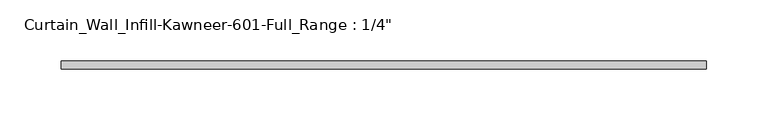
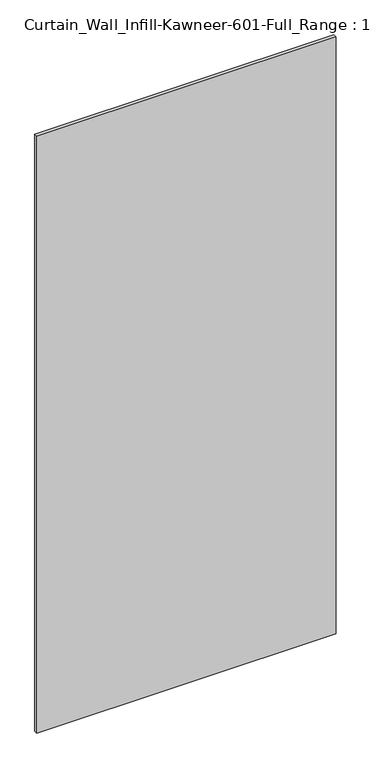
"""IFC4 building model written with IfcOpenShell, lengths in millimetres: plate geometry."""

from ifc_helpers import new_model, si_unit, origin, origin_with_axes, place, context, project, spatial, polyline, outline, extrude, source, transform, mapped, element, save


def plate_cf7ab276(model_context):
    return source(origin(), model_context, "Body", "SweptSolid", [
        extrude(outline(polyline([(-263.525, 12.7), (263.525, 12.7), (263.525, 6.35), (-263.525, 6.35), (-263.525, 12.7)])), origin_with_axes(), (0.0, 0.0, 1.0), 1111.25),
    ])


if __name__ == "__main__":
    model = new_model("IFC4")
    model_context = context("Model", 3, world=origin())
    ifc_project = project(units=[si_unit("LENGTHUNIT", "METRE", prefix="MILLI")], contexts=[model_context])
    site = spatial("IfcSite", under=ifc_project)
    building = spatial("IfcBuilding", under=site)
    placement = place(None, origin())
    plate_shape = plate_cf7ab276(model_context)
    element("IfcPlate", 1, ObjectType="Curtain_Wall_Infill-Kawneer-601-Full_Range : 1/4\"", at=placement, inside=building, context=model_context, shape_type="MappedRepresentation", body=[
        mapped(plate_shape, transform((0.0, 0.0, 0.0), x_axis=(1.0, 0.0, 0.0), y_axis=(0.0, 1.0, 0.0), z_axis=(0.0, 0.0, 1.0))),
    ])
    save(model, "model.ifc")
